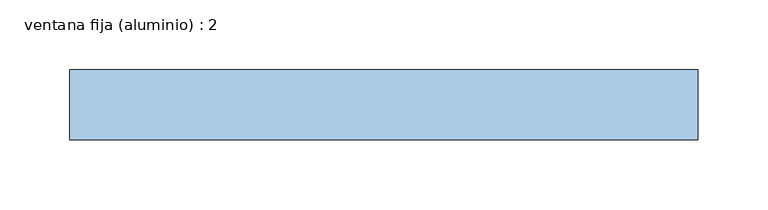
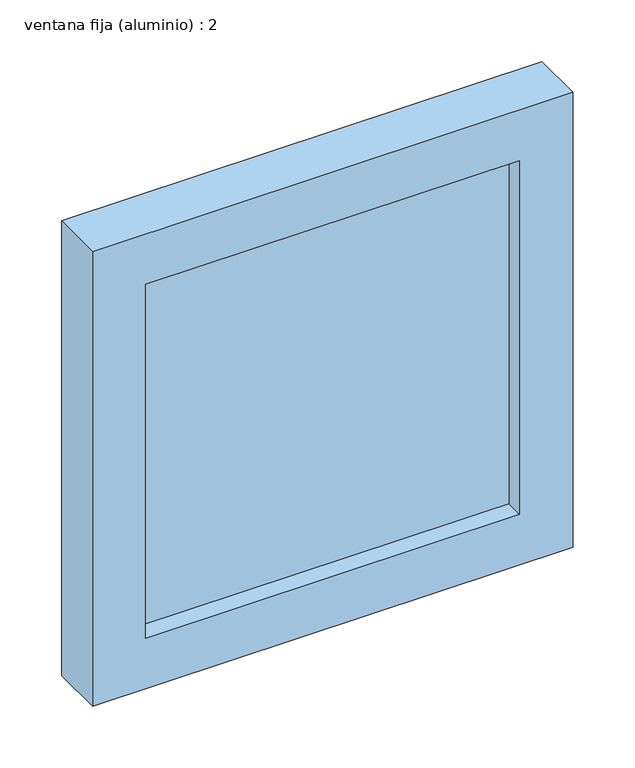
"""IFC4 building model written with IfcOpenShell, lengths in millimetres: window geometry, ventana fija (aluminio) : 2."""

from ifc_helpers import new_model, si_unit, frame, origin, place, context, project, spatial, polyline, outline, extrude, source, transform, mapped, element, save


def ventana_fija_aluminio_2_8a3e1272(model_context):
    return source(origin(), model_context, "Body", "SweptSolid", [
        extrude(outline(polyline([(175.0, 117.5), (-175.0, 117.5), (-175.0, 132.5), (175.0, 132.5), (175.0, 117.5)])), frame((0.0, 0.0, 850.0), z_axis=(0.0, 0.0, 1.0), x_axis=(1.0, 0.0, 0.0)), (0.0, 0.0, 1.0), 350.0),
        extrude(outline(polyline([(1250.0, -225.0), (800.0, -225.0), (800.0, 225.0), (1250.0, 225.0), (1250.0, -225.0)]), holes=[polyline([(1200.0, -175.0), (1200.0, 175.0), (850.0, 175.0), (850.0, -175.0), (1200.0, -175.0)])]), frame((0.0, 100.0, 0.0), z_axis=(0.0, 1.0, 0.0), x_axis=(0.0, 0.0, 1.0)), (0.0, 0.0, 1.0), 50.0),
    ])


if __name__ == "__main__":
    model = new_model("IFC4")
    model_context = context("Model", 3, world=origin())
    ifc_project = project(units=[si_unit("LENGTHUNIT", "METRE", prefix="MILLI")], contexts=[model_context])
    site = spatial("IfcSite", under=ifc_project)
    building = spatial("IfcBuilding", under=site)
    placement = place(None, origin())
    ventana_fija_aluminio_2_shape = ventana_fija_aluminio_2_8a3e1272(model_context)
    element("IfcWindow", 1, ObjectType="ventana fija (aluminio) : 2", at=placement, inside=building, context=model_context, shape_type="MappedRepresentation", body=[
        mapped(ventana_fija_aluminio_2_shape, transform((0.0, 0.0, 0.0), x_axis=(1.0, 0.0, 0.0), y_axis=(0.0, 1.0, 0.0), z_axis=(0.0, 0.0, 1.0))),
    ])
    save(model, "model.ifc")
